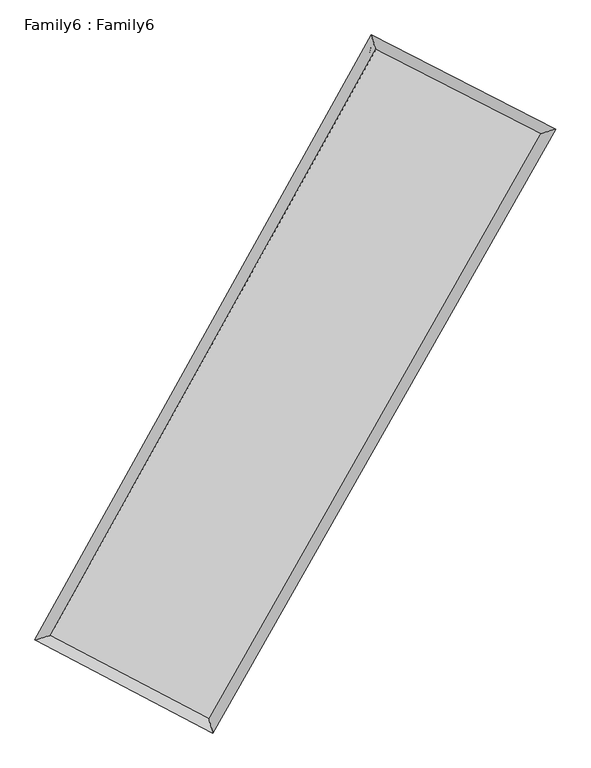
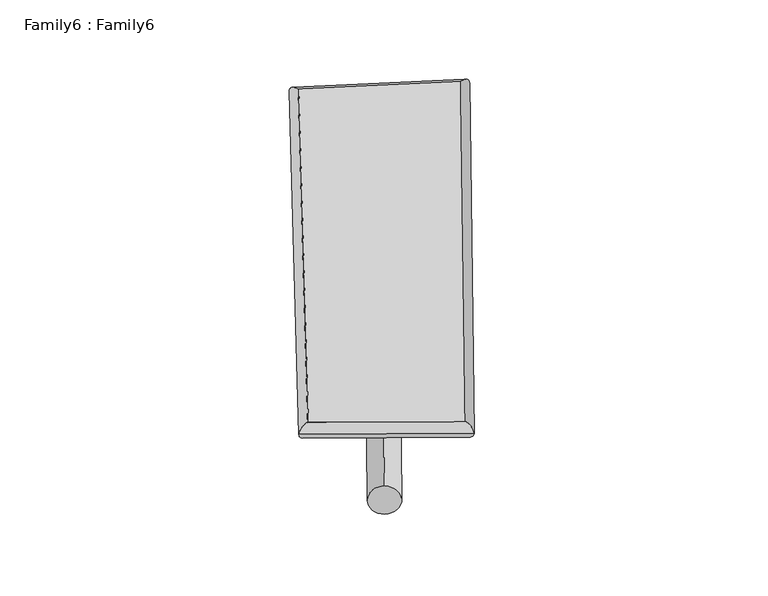
"""IFC4 building model written with IfcOpenShell, lengths in millimetres: plate geometry, Family6 : Family6."""

from ifc_helpers import new_model, si_unit, point, frame, origin, origin_2d, place, context, project, spatial, circle_curve, ellipse_curve, trimmed, segment, composite_curve, outline, extrude, source, transform, mapped, element, save
from ifc_brep_helpers import plane_surface, cylinder_surface, spline_surface, advanced_brep


def family6_family6_f2a9fe0a(model_context):
    return source(origin(), model_context, "Body", "SolidModel", [
        extrude(outline(composite_curve([segment(trimmed(circle_curve(origin_2d(), 76.2), [point((-75.4341514, -10.7763073))], [point((75.4341514, 10.7763073))], False, "CARTESIAN"), True, "CONTINUOUS"), segment(trimmed(circle_curve(origin_2d(), 76.2), [point((75.4341514, 10.7763073))], [point((-75.4341514, -10.7763073))], False, "CARTESIAN"), True, "CONTINUOUS")], self_intersect=False)), frame((9144.0, 9144.0, 0.0), z_axis=(0.6765848915471788, 0.6836716012289296, 0.2735434630971175), x_axis=(-0.6759645409253412, 0.7239864054665497, -0.13753408345285728)), (0.0, 0.0, 1.0), 5679.7827253),
        extrude(outline(composite_curve([segment(trimmed(circle_curve(origin_2d(), 76.2), [point((-53.8815367, 53.8815368))], [point((53.8815367, -53.8815368))], False, "CARTESIAN"), True, "CONTINUOUS"), segment(trimmed(circle_curve(origin_2d(), 76.2), [point((53.8815367, -53.8815368))], [point((-53.8815367, 53.8815368))], False, "CARTESIAN"), True, "CONTINUOUS")], self_intersect=False)), frame((9144.0, 9144.0, 0.0), z_axis=(-0.6710241201040384, -0.6885707879888959, 0.2749489046476673), x_axis=(0.6435511632575361, -0.3567520458736939, 0.6771778776915308)), (0.0, 0.0, 1.0), 5652.9578031),
        extrude(outline(composite_curve([segment(trimmed(circle_curve(origin_2d(), 76.2), [point((-53.8815368, -53.8815368))], [point((53.8815368, 53.8815368))], False, "CARTESIAN"), True, "CONTINUOUS"), segment(trimmed(circle_curve(origin_2d(), 76.2), [point((53.8815368, 53.8815368))], [point((-53.8815368, -53.8815368))], False, "CARTESIAN"), True, "CONTINUOUS")], self_intersect=False)), frame((9144.0, 9144.0, 0.0), z_axis=(0.22753029301997077, 0.9360259109948676, 0.2684873548316088), x_axis=(-0.8473700441496149, 0.32617013581745236, -0.41901915323610756)), (0.0, 0.0, 1.0), 5557.0999791),
        extrude(outline(composite_curve([segment(trimmed(circle_curve(origin_2d(), 76.2), [point((-75.4341514, 10.7763074))], [point((75.4341514, -10.7763074))], False, "CARTESIAN"), True, "CONTINUOUS"), segment(trimmed(circle_curve(origin_2d(), 76.2), [point((75.4341514, -10.7763074))], [point((-75.4341514, 10.7763074))], False, "CARTESIAN"), True, "CONTINUOUS")], self_intersect=False)), frame((9144.0, 9144.0, 0.0), z_axis=(-0.23554947203011406, -0.9341139126985731, 0.2682305805259668), x_axis=(0.8901887747608065, -0.09662625572347407, 0.44522725881814107)), (0.0, 0.0, 1.0), 5559.2979168),
        advanced_brep(
        [(5141.7392052, 5189.1500661, 1550.2801708), (5141.652517, 5189.0043605, 1559.9828605), (5559.7187232, 5313.926716, 1558.2689412), (10470.002973, 14142.951013, 1497.8199966), (10346.8142002, 14548.2281278, 1486.2021512), (5559.8054114, 5314.0724216, 1548.5662515), (12775.7399388, 12963.917106, 1552.9552685), (13197.9704196, 13090.2951949, 1554.3796042), (7774.6938164, 4154.3140431, 1492.2966697), (7894.3268053, 3747.6508991, 1490.0507453)],
        [
            (0, 1, ellipse_curve(frame((5350.7289642, 5251.5383911, 1554.274556), z_axis=(-0.28623709612814, 0.9580857844114339, 0.011830237058381834), x_axis=(-0.9578958746747133, -0.286425970160926, 0.019891126125441725)), 218.3071569, 152.4)),
            (1, 2, ellipse_curve(frame((5350.7289642, 5251.5383911, 1554.274556), z_axis=(-0.28623709612814, 0.9580857844114339, 0.011830237058381834), x_axis=(-0.9578958746747133, -0.286425970160926, 0.019891126125441725)), 218.3071569, 152.4)),
            (2, 3),
            (3, 4, ellipse_curve(frame((10408.4085866, 14345.5895704, 1492.0110739), z_axis=(-0.9566376750886089, -0.291086262507255, -0.010637028749553067), x_axis=(0.2908469281866671, -0.956568290889704, 0.019625728743923918)), 211.8785991, 152.4)),
            (4, 0),
            (2, 5, ellipse_curve(frame((5350.7289642, 5251.5383911, 1554.274556), z_axis=(-0.28623709612814, 0.9580857844114339, 0.011830237058381834), x_axis=(-0.9578958746747133, -0.286425970160926, 0.019891126125441725)), 218.3071569, 152.4)),
            (5, 0, ellipse_curve(frame((5350.7289642, 5251.5383911, 1554.274556), z_axis=(-0.28623709612814, 0.9580857844114339, 0.011830237058381834), x_axis=(-0.9578958746747133, -0.286425970160926, 0.019891126125441725)), 218.3071569, 152.4)),
            (4, 3, ellipse_curve(frame((10408.4085866, 14345.5895704, 1492.0110739), z_axis=(-0.9566376750886089, -0.291086262507255, -0.010637028749553067), x_axis=(0.2908469281866671, -0.956568290889704, 0.019625728743923918)), 211.8785991, 152.4)),
            (3, 6),
            (6, 7, ellipse_curve(frame((12986.8551792, 13027.1061505, 1553.6674363), z_axis=(-0.286690183083099, 0.9579594875640144, -0.011061605212194693), x_axis=(-0.9577875087257545, -0.2868566850376173, -0.018876715237085645)), 220.3995996, 152.4)),
            (7, 4),
            (7, 6, ellipse_curve(frame((12986.8551792, 13027.1061505, 1553.6674363), z_axis=(-0.286690183083099, 0.9579594875640144, -0.011061605212194693), x_axis=(-0.9577875087257545, -0.2868566850376173, -0.018876715237085645)), 220.3995996, 152.4)),
            (6, 8),
            (8, 9, ellipse_curve(frame((7834.5103108, 3950.9824711, 1491.1737075), z_axis=(0.9592683446114604, 0.2822629317504735, -0.0114839185827739), x_axis=(-0.28199646053388217, 0.9591965387367091, 0.020493811794776457)), 211.9733455, 152.4)),
            (9, 7),
            (9, 8, ellipse_curve(frame((7834.5103108, 3950.9824711, 1491.1737075), z_axis=(0.9592683446114604, 0.2822629317504735, -0.0114839185827739), x_axis=(-0.28199646053388217, 0.9591965387367091, 0.020493811794776457)), 211.9733455, 152.4)),
            (8, 5),
            (1, 9),
        ],
        [
            cylinder_surface(frame((5350.7289642, 5251.5383911, 1554.274556), z_axis=(-0.48603285470160623, -0.8739200553413651, 0.005983395587190276), x_axis=(-0.873572664207131, 0.48561824954854954, -0.032337533230874245)), 152.4),
            cylinder_surface(frame((10408.4085866, 14345.5895704, 1492.0110739), z_axis=(-0.8901474894787772, 0.4551751079543503, -0.021285395776823913), x_axis=(0.4555408753985106, 0.8900416825434494, -0.017558877423809214)), 152.4),
            cylinder_surface(frame((12986.8551792, 13027.1061505, 1553.6674363), z_axis=(0.49367141624658706, 0.8696278966703727, 0.005987830471267333), x_axis=(0.8696470738092121, -0.49367141624658706, -0.0015810743700708583)), 152.4),
            cylinder_surface(frame((7834.5103108, 3950.9824711, 1491.1737075), z_axis=(0.8856764951143777, -0.4637573313049172, -0.022500748050971763), x_axis=(-0.4635400896997069, -0.885959267146686, 0.014379228007609404)), 152.4),
        ],
        [
            (0, [[1, 2, 3, 4, 5]]),
            (0, [[6, 7, -5, 8, -3]]),
            (1, [[-4, 9, 10, 11]]),
            (1, [[-8, -11, 12, -9]]),
            (2, [[-10, 13, 14, 15]]),
            (2, [[-12, -15, 16, -13]]),
            (3, [[-14, 17, -6, -2, 18]]),
            (3, [[-16, -18, -1, -7, -17]]),
        ],
    ),
        extrude(outline(composite_curve([segment(trimmed(circle_curve(origin_2d(), 304.8), [point((0.0, 304.8))], [point((1e-07, -304.8))], False, "CARTESIAN"), True, "CONTINUOUS"), segment(trimmed(circle_curve(origin_2d(), 304.8), [point((1e-07, -304.8))], [point((0.0, 304.8))], False, "CARTESIAN"), True, "CONTINUOUS")], self_intersect=False)), frame((11735.8513694, 13690.0173048, -0.0451029), z_axis=(-0.49529268381740127, -0.8687261693322406, 8.618990315706397e-06), x_axis=(-0.8687261693719933, 0.49529268381740127, -2.2844025600539662e-06)), (0.0, 0.0, 1.0), 10465.9384402),
        advanced_brep(
        [(5350.7289642, 5251.5383911, 1554.274556), (7834.5103108, 3950.9824711, 1491.1737075), (7834.4960248, 3950.9871821, 1643.5737068), (5350.7146781, 5251.5431021, 1706.6745552), (12986.8551792, 13027.1061505, 1553.6674363), (12986.8408932, 13027.1108615, 1706.0674356), (10408.4085866, 14345.5895704, 1492.0110739), (10408.3943005, 14345.5942814, 1644.4110732)],
        [
            (0, 1),
            (1, 2),
            (2, 3),
            (3, 0),
            (1, 4),
            (4, 5),
            (5, 2),
            (4, 6),
            (6, 7),
            (7, 5),
            (6, 0),
            (3, 7),
        ],
        [
            plane_surface(frame((6592.6196375, 4601.2604311, 1522.7241318), z_axis=(-0.46387509320728004, -0.8859006138629573, -1.609885171527381e-05), x_axis=(0.8856764951143777, -0.46375733130491686, -0.022500748050971766))),
            plane_surface(frame((10410.682745, 8489.0443108, 1522.4205719), z_axis=(0.8696431967866943, -0.49368076822572254, 9.678160642539449e-05), x_axis=(0.4936714162465871, 0.8696278966703727, 0.0059878304712673355))),
            plane_surface(frame((11697.6318829, 13686.3478604, 1522.8392551), z_axis=(0.4552779683253943, 0.8903493535280487, 1.5155431972566427e-05), x_axis=(-0.890147489478777, 0.45517510795435034, -0.021285395776823913))),
            plane_surface(frame((7879.5687754, 9798.5639807, 1523.1428149), z_axis=(-0.8739359772169057, 0.4860410459282688, -9.694785413242929e-05), x_axis=(-0.4860328547016059, -0.8739200553413652, 0.005983395587190277))),
            spline_surface(1, 1, [[(7834.4960248, 3950.9871821, 1643.5737068), (5350.7146781, 5251.5431021, 1706.6745552)], [(12986.8408932, 13027.1108615, 1706.0674356), (10408.3943005, 14345.5942814, 1644.4110732)]], [2, 2], [2, 2], [0.0, 1.0], [0.0, 1.0]),
            spline_surface(1, 1, [[(10408.4085866, 14345.5895704, 1492.0110739), (5350.7289642, 5251.5383911, 1554.274556)], [(12986.8551792, 13027.1061505, 1553.6674363), (7834.5103108, 3950.9824711, 1491.1737075)]], [2, 2], [2, 2], [0.0, 1.0], [0.0, 1.0]),
        ],
        [
            (0, [[1, 2, 3, 4]]),
            (1, [[5, 6, 7, -2]]),
            (2, [[8, 9, 10, -6]]),
            (3, [[11, -4, 12, -9]]),
            (4, [[-3, -7, -10, -12]]),
            (5, [[-11, -8, -5, -1]]),
        ],
    ),
    ])


if __name__ == "__main__":
    model = new_model("IFC4")
    model_context = context("Model", 3, world=origin())
    ifc_project = project(units=[si_unit("LENGTHUNIT", "METRE", prefix="MILLI")], contexts=[model_context])
    site = spatial("IfcSite", under=ifc_project)
    building = spatial("IfcBuilding", under=site)
    placement = place(None, origin())
    family6_family6_shape = family6_family6_f2a9fe0a(model_context)
    element("IfcPlate", 1, ObjectType="Family6 : Family6", at=placement, inside=building, context=model_context, shape_type="MappedRepresentation", body=[
        mapped(family6_family6_shape, transform((0.0, 0.0, 0.0), x_axis=(1.0, 0.0, 0.0), y_axis=(0.0, 1.0, 0.0), z_axis=(0.0, 0.0, 1.0))),
    ])
    save(model, "model.ifc")
